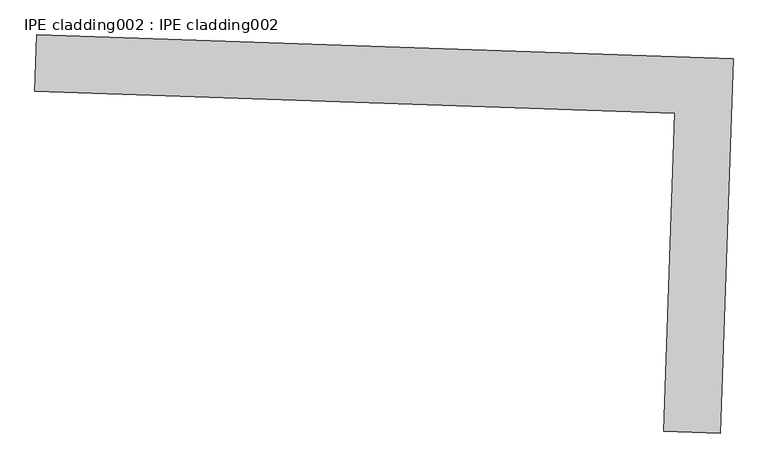
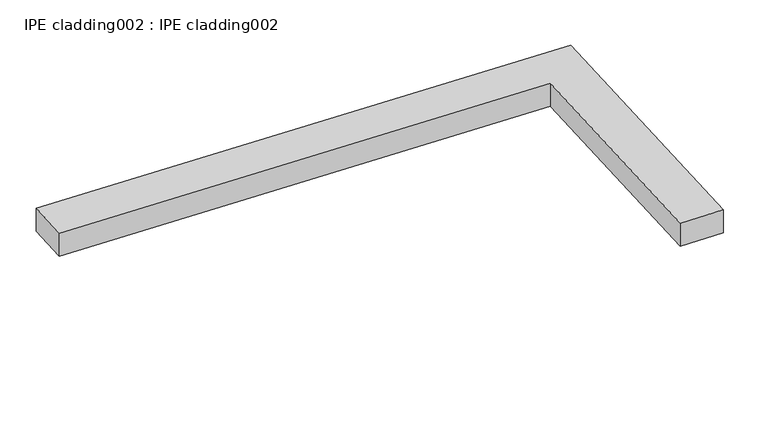
"""IFC4 building model written with IfcOpenShell, lengths in millimetres: proxy geometry, IPE cladding002 : IPE cladding002."""

from ifc_helpers import new_model, si_unit, frame, origin, place, context, project, spatial, polyline, outline, extrude, source, transform, mapped, element, save


def ipe_cladding002_ipe_cladding002_4c61bd46(model_context):
    return source(origin(), model_context, "Body", "SweptSolid", [
        extrude(outline(polyline([(17306.5036747, -14579.7358902), (17309.5442116, -14490.8879013), (18404.9713731, -14528.3753739), (18384.8189499, -15117.2524125), (18295.9709609, -15114.2118758), (18313.0828476, -14614.1828259), (17306.5036747, -14579.7358902)])), frame((0.0, 0.0, 327.975707), z_axis=(0.0, 0.0, 1.0), x_axis=(1.0, 0.0, 0.0)), (0.0, 0.0, 1.0), 50.8),
    ])


if __name__ == "__main__":
    model = new_model("IFC4")
    model_context = context("Model", 3, world=origin())
    ifc_project = project(units=[si_unit("LENGTHUNIT", "METRE", prefix="MILLI")], contexts=[model_context])
    site = spatial("IfcSite", under=ifc_project)
    building = spatial("IfcBuilding", under=site)
    placement = place(None, origin())
    ipe_cladding002_ipe_cladding002_shape = ipe_cladding002_ipe_cladding002_4c61bd46(model_context)
    element("IfcBuildingElementProxy", 1, Name="IPE cladding002 : IPE cladding002", ObjectType="IPE cladding002 : IPE cladding002", at=placement, inside=building, context=model_context, shape_type="MappedRepresentation", body=[
        mapped(ipe_cladding002_ipe_cladding002_shape, transform((0.0, 0.0, 0.0), x_axis=(1.0, 0.0, 0.0), y_axis=(0.0, 1.0, 0.0), z_axis=(0.0, 0.0, 1.0))),
    ])
    save(model, "model.ifc")
